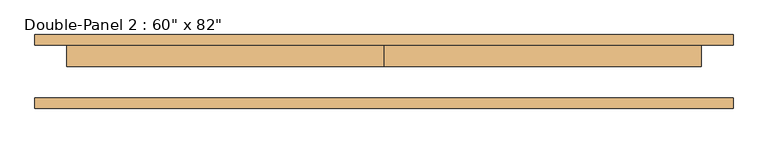
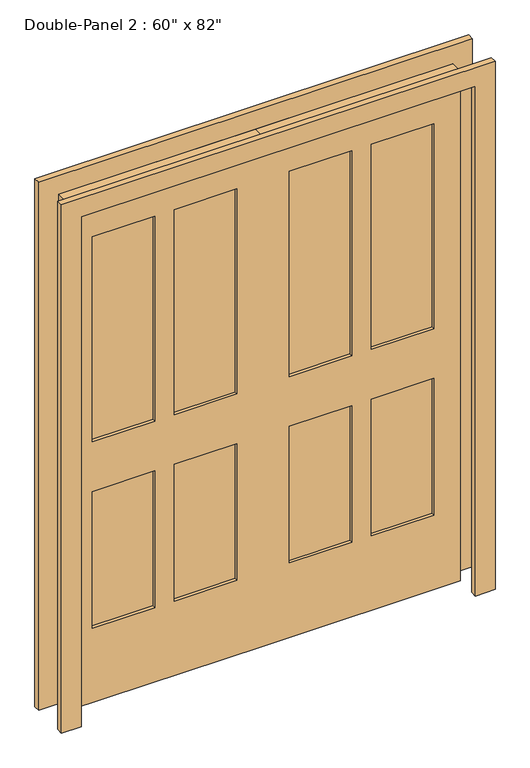
"""IFC4 building model written with IfcOpenShell, lengths in millimetres: door geometry."""

from ifc_helpers import new_model, si_unit, frame, origin, place, context, project, spatial, polyline, outline, extrude, source, transform, mapped, element, save


def door_5403bf6d(model_context):
    return source(origin(), model_context, "Body", "SweptSolid", [
        extrude(outline(polyline([(2159.0, -838.2), (0.0, -838.2), (0.0, -762.0), (2082.8, -762.0), (2082.8, 762.0), (0.0, 762.0), (0.0, 838.2), (2159.0, 838.2), (2159.0, -838.2)])), frame((0.0, 63.5, 0.0), z_axis=(0.0, 1.0, 0.0), x_axis=(0.0, 0.0, 1.0)), (0.0, 0.0, 1.0), 25.4),
        extrude(outline(polyline([(419.1, 50.8), (660.4, 50.8), (660.4, 25.4), (419.1, 25.4), (419.1, 50.8)])), frame((0.0, 0.0, 1066.8), z_axis=(0.0, 0.0, 1.0), x_axis=(1.0, 0.0, 0.0)), (0.0, 0.0, 1.0), 838.2),
        extrude(outline(polyline([(101.6, 50.8), (342.9, 50.8), (342.9, 25.4), (101.6, 25.4), (101.6, 50.8)])), frame((0.0, 0.0, 1066.8), z_axis=(0.0, 0.0, 1.0), x_axis=(1.0, 0.0, 0.0)), (0.0, 0.0, 1.0), 838.2),
        extrude(outline(polyline([(419.1, 50.8), (660.4, 50.8), (660.4, 25.4), (419.1, 25.4), (419.1, 50.8)])), frame((0.0, 0.0, 304.8), z_axis=(0.0, 0.0, 1.0), x_axis=(1.0, 0.0, 0.0)), (0.0, 0.0, 1.0), 558.8),
        extrude(outline(polyline([(101.6, 50.8), (342.9, 50.8), (342.9, 25.4), (101.6, 25.4), (101.6, 50.8)])), frame((0.0, 0.0, 304.8), z_axis=(0.0, 0.0, 1.0), x_axis=(1.0, 0.0, 0.0)), (0.0, 0.0, 1.0), 558.8),
        extrude(outline(polyline([(-342.9, 50.8), (-101.6, 50.8), (-101.6, 25.4), (-342.9, 25.4), (-342.9, 50.8)])), frame((0.0, 0.0, 1066.8), z_axis=(0.0, 0.0, 1.0), x_axis=(1.0, 0.0, 0.0)), (0.0, 0.0, 1.0), 838.2),
        extrude(outline(polyline([(-660.4, 50.8), (-419.1, 50.8), (-419.1, 25.4), (-660.4, 25.4), (-660.4, 50.8)])), frame((0.0, 0.0, 1066.8), z_axis=(0.0, 0.0, 1.0), x_axis=(1.0, 0.0, 0.0)), (0.0, 0.0, 1.0), 838.2),
        extrude(outline(polyline([(-342.9, 50.8), (-101.6, 50.8), (-101.6, 25.4), (-342.9, 25.4), (-342.9, 50.8)])), frame((0.0, 0.0, 304.8), z_axis=(0.0, 0.0, 1.0), x_axis=(1.0, 0.0, 0.0)), (0.0, 0.0, 1.0), 558.8),
        extrude(outline(polyline([(-660.4, 50.8), (-419.1, 50.8), (-419.1, 25.4), (-660.4, 25.4), (-660.4, 50.8)])), frame((0.0, 0.0, 304.8), z_axis=(0.0, 0.0, 1.0), x_axis=(1.0, 0.0, 0.0)), (0.0, 0.0, 1.0), 558.8),
        extrude(outline(polyline([(2082.8, 0.0), (2082.8, -762.0), (0.0, -762.0), (0.0, 0.0), (0.0, 762.0), (2082.8, 762.0), (2082.8, 0.0)]), holes=[polyline([(1905.0, 419.1), (1905.0, 660.4), (1066.8, 660.4), (1066.8, 419.1), (1905.0, 419.1)]), polyline([(1905.0, 101.6), (1905.0, 342.9), (1066.8, 342.9), (1066.8, 101.6), (1905.0, 101.6)]), polyline([(863.6, 419.1), (863.6, 660.4), (304.8, 660.4), (304.8, 419.1), (863.6, 419.1)]), polyline([(863.6, 101.6), (863.6, 342.9), (304.8, 342.9), (304.8, 101.6), (863.6, 101.6)]), polyline([(1066.8, -342.9), (1905.0, -342.9), (1905.0, -101.6), (1066.8, -101.6), (1066.8, -342.9)]), polyline([(1905.0, -660.4), (1905.0, -419.1), (1066.8, -419.1), (1066.8, -660.4), (1905.0, -660.4)]), polyline([(863.6, -342.9), (863.6, -101.6), (304.8, -101.6), (304.8, -342.9), (863.6, -342.9)]), polyline([(863.6, -660.4), (863.6, -419.1), (304.8, -419.1), (304.8, -660.4), (863.6, -660.4)])]), frame((0.0, 12.7, 0.0), z_axis=(0.0, 1.0, 0.0), x_axis=(0.0, 0.0, 1.0)), (0.0, 0.0, 1.0), 50.8),
        extrude(outline(polyline([(2082.8, -762.0), (2082.8, 762.0), (0.0, 762.0), (0.0, 838.2), (2159.0, 838.2), (2159.0, -838.2), (0.0, -838.2), (0.0, -762.0), (2082.8, -762.0)])), frame((0.0, -88.9, 0.0), z_axis=(0.0, 1.0, 0.0), x_axis=(0.0, 0.0, 1.0)), (0.0, 0.0, 1.0), 25.4),
    ])


if __name__ == "__main__":
    model = new_model("IFC4")
    model_context = context("Model", 3, world=origin())
    ifc_project = project(units=[si_unit("LENGTHUNIT", "METRE", prefix="MILLI")], contexts=[model_context])
    site = spatial("IfcSite", under=ifc_project)
    building = spatial("IfcBuilding", under=site)
    placement = place(None, origin())
    door_shape = door_5403bf6d(model_context)
    element("IfcDoor", 1, ObjectType="Double-Panel 2 : 60\" x 82\"", at=placement, inside=building, context=model_context, shape_type="MappedRepresentation", body=[
        mapped(door_shape, transform((0.0, 0.0, 0.0), x_axis=(1.0, 0.0, 0.0), y_axis=(0.0, 1.0, 0.0), z_axis=(0.0, 0.0, 1.0))),
    ])
    save(model, "model.ifc")
